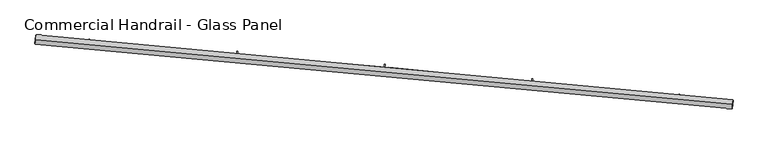
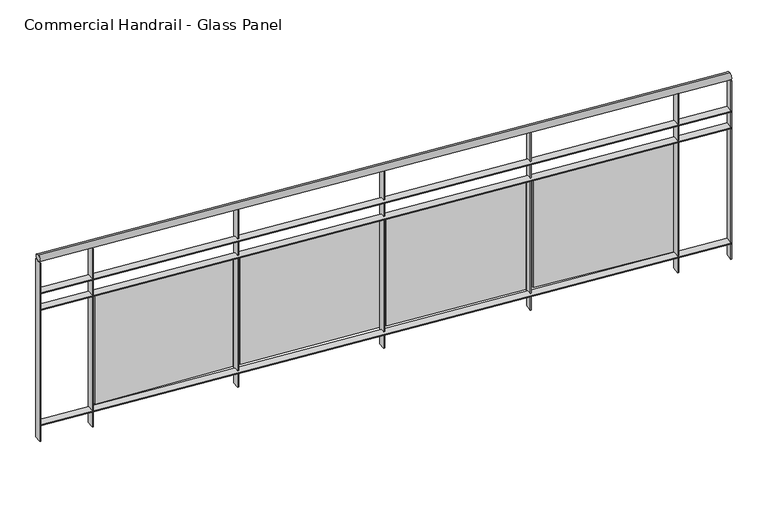
"""IFC4 building model written with IfcOpenShell, lengths in millimetres: railing geometry, Commercial Handrail - Glass Panel."""

from ifc_helpers import new_model, si_unit, point, frame, origin, place, context, project, spatial, polyline, circle_curve, ellipse_curve, trimmed, outline, extrude, source, transform, mapped, element, save
from ifc_brep_helpers import plane_surface, cylinder_surface, revolved_surface, advanced_brep


def commercial_handrail_glass_panel_fb1e3c1f(model_context):
    return source(origin(), model_context, "Body", "SolidModel", [
        advanced_brep(
        [(134392.4186606, -8697.9244773, 19682.5), (130631.4894824, -8347.8645549, 19682.5), (130631.4894824, -8347.8645549, 19717.5), (134392.4186606, -8697.9244773, 19717.5)],
        [
            (0, 1, circle_curve(frame((123990.1653691, -100078.2018552, 19682.5), z_axis=(0.0, 0.0, 1.0), x_axis=(0.07221150688072363, 0.9973893413677606, 0.0)), 91970.4407253)),
            (1, 2, ellipse_curve(frame((130631.4894824, -8347.8645549, 19700.0), z_axis=(0.9973893413677601, -0.07221150688073003, 0.0), x_axis=(-0.07221150688073003, -0.9973893413677601, 0.0)), 25.0, 17.5)),
            (2, 3, circle_curve(frame((123990.1653691, -100078.2018552, 19717.5), z_axis=(0.0, 0.0, -1.0), x_axis=(0.07221150688072363, 0.9973893413677606, 0.0)), 91970.4407253)),
            (3, 0, ellipse_curve(frame((134392.4186606, -8697.9244773, 19700.0), z_axis=(-0.9935831192856617, 0.11310431057468384, 0.0), x_axis=(-0.11310431057468384, -0.9935831192856617, 0.0)), 25.0, 17.5)),
            (2, 1, ellipse_curve(frame((130631.4894824, -8347.8645549, 19700.0), z_axis=(0.9973893413677601, -0.07221150688073003, 0.0), x_axis=(-0.07221150688073003, -0.9973893413677601, 0.0)), 25.0, 17.5)),
            (0, 3, ellipse_curve(frame((134392.4186606, -8697.9244773, 19700.0), z_axis=(-0.9935831192856617, 0.11310431057468384, 0.0), x_axis=(-0.11310431057468384, -0.9935831192856617, 0.0)), 25.0, 17.5)),
        ],
        [
            revolved_surface(trimmed(ellipse_curve(frame((130631.4894824, -8347.8645549, 19700.0), z_axis=(-0.9973893413677606, 0.07221150688072363, 0.0), x_axis=(0.0, 0.0, -1.0)), 17.5, 25.0), [point((130631.4894824, -8347.8645549, 19717.5))], [point((130631.4894824, -8347.8645549, 19682.5))], True, "CARTESIAN"), (123990.1653691, -100078.2018552, 19700.0), (0.0, 0.0, -1.0)),
            revolved_surface(trimmed(ellipse_curve(frame((130631.4894824, -8347.8645549, 19700.0), z_axis=(-0.9973893413677606, 0.07221150688072363, 0.0), x_axis=(0.0, 0.0, -1.0)), 17.5, 25.0), [point((130631.4894824, -8347.8645549, 19682.5))], [point((130631.4894824, -8347.8645549, 19717.5))], True, "CARTESIAN"), (123990.1653691, -100078.2018552, 19700.0), (0.0, 0.0, -1.0)),
            plane_surface(frame((130631.4894824, -8347.8645549, 19700.0), z_axis=(-0.9973893413677607, 0.07221150688072363, 0.0), x_axis=(0.07221150688072363, 0.9973893413677607, 0.0))),
            plane_surface(frame((134392.4186606, -8697.9244773, 19700.0), z_axis=(0.9935831192856617, -0.11310431057468376, 0.0), x_axis=(0.11310431057468376, 0.9935831192856617, 0.0))),
        ],
        [
            (0, [[1, 2, 3, 4]]),
            (1, [[-3, 5, -1, 6]]),
            (2, [[-2, -5]]),
            (3, [[-6, -4]]),
        ],
    ),
        advanced_brep(
        [(134394.9635076, -8675.5688571, 19500.0), (130633.1142413, -8325.4232948, 19500.0), (130629.8647235, -8370.3058151, 19500.0), (134389.8738136, -8720.2800975, 19500.0), (134394.9635076, -8675.5688571, 19494.0), (130633.1142413, -8325.4232948, 19494.0), (134389.8738136, -8720.2800975, 19494.0), (130629.8647235, -8370.3058151, 19494.0)],
        [
            (0, 1, circle_curve(frame((123990.1653691, -100078.2018552, 19500.0), z_axis=(0.0, 0.0, 1.0), x_axis=(0.07221150688072363, 0.9973893413677606, 0.0)), 91992.9407253)),
            (1, 2),
            (2, 3, circle_curve(frame((123990.1653691, -100078.2018552, 19500.0), z_axis=(0.0, 0.0, -1.0), x_axis=(0.07221150688072363, 0.9973893413677606, 0.0)), 91947.9407253)),
            (3, 0),
            (4, 5, circle_curve(frame((123990.1653691, -100078.2018552, 19494.0), z_axis=(0.0, 0.0, 1.0), x_axis=(0.07221150688072363, 0.9973893413677606, 0.0)), 91992.9407253)),
            (5, 1),
            (0, 4),
            (6, 7, circle_curve(frame((123990.1653691, -100078.2018552, 19494.0), z_axis=(0.0, 0.0, 1.0), x_axis=(0.07221150688072363, 0.9973893413677606, 0.0)), 91947.9407253)),
            (7, 5),
            (4, 6),
            (2, 7),
            (6, 3),
        ],
        [
            plane_surface(frame((123990.1653691, -100078.2018552, 19500.0), z_axis=(0.0, 0.0, 1.0), x_axis=(0.07221150688072363, 0.9973893413677606, 0.0))),
            cylinder_surface(frame((123990.1653691, -100078.2018552, 19500.0), z_axis=(0.0, 0.0, -1.0), x_axis=(0.07221150688072363, 0.9973893413677606, 0.0)), 91992.9407253),
            plane_surface(frame((123990.1653691, -100078.2018552, 19494.0), z_axis=(0.0, 0.0, -1.0), x_axis=(0.07221150688072363, 0.9973893413677606, 0.0))),
            revolved_surface(polyline([(130629.86472345337, -8370.305815071144, 19494.0), (130629.86472345337, -8370.305815071144, 19500.0)]), (123990.1653691, -100078.2018552, 19500.0), (0.0, 0.0, -1.0)),
            plane_surface(frame((130631.4894824, -8347.8645549, 19500.0), z_axis=(-0.9973893413677607, 0.07221150688072363, 0.0), x_axis=(0.07221150688072363, 0.9973893413677607, 0.0))),
            plane_surface(frame((134392.4186606, -8697.9244773, 19500.0), z_axis=(0.9935831192856617, -0.11310431057468376, 0.0), x_axis=(0.11310431057468376, 0.9935831192856617, 0.0))),
        ],
        [
            (0, [[1, 2, 3, 4]]),
            (1, [[5, 6, -1, 7]]),
            (2, [[8, 9, -5, 10]]),
            (3, [[-3, 11, -8, 12]]),
            (4, [[-2, -6, -9, -11]]),
            (5, [[-12, -10, -7, -4]]),
        ],
    ),
        advanced_brep(
        [(134394.9635076, -8675.5688571, 19400.0), (130633.1142413, -8325.4232948, 19400.0), (130629.8647235, -8370.3058151, 19400.0), (134389.8738136, -8720.2800975, 19400.0), (134394.9635076, -8675.5688571, 19394.0), (130633.1142413, -8325.4232948, 19394.0), (134389.8738136, -8720.2800975, 19394.0), (130629.8647235, -8370.3058151, 19394.0)],
        [
            (0, 1, circle_curve(frame((123990.1653691, -100078.2018552, 19400.0), z_axis=(0.0, 0.0, 1.0), x_axis=(0.07221150688072363, 0.9973893413677606, 0.0)), 91992.9407253)),
            (1, 2),
            (2, 3, circle_curve(frame((123990.1653691, -100078.2018552, 19400.0), z_axis=(0.0, 0.0, -1.0), x_axis=(0.07221150688072363, 0.9973893413677606, 0.0)), 91947.9407253)),
            (3, 0),
            (4, 5, circle_curve(frame((123990.1653691, -100078.2018552, 19394.0), z_axis=(0.0, 0.0, 1.0), x_axis=(0.07221150688072363, 0.9973893413677606, 0.0)), 91992.9407253)),
            (5, 1),
            (0, 4),
            (6, 7, circle_curve(frame((123990.1653691, -100078.2018552, 19394.0), z_axis=(0.0, 0.0, 1.0), x_axis=(0.07221150688072363, 0.9973893413677606, 0.0)), 91947.9407253)),
            (7, 5),
            (4, 6),
            (2, 7),
            (6, 3),
        ],
        [
            plane_surface(frame((123990.1653691, -100078.2018552, 19400.0), z_axis=(0.0, 0.0, 1.0), x_axis=(0.07221150688072363, 0.9973893413677606, 0.0))),
            cylinder_surface(frame((123990.1653691, -100078.2018552, 19400.0), z_axis=(0.0, 0.0, -1.0), x_axis=(0.07221150688072363, 0.9973893413677606, 0.0)), 91992.9407253),
            plane_surface(frame((123990.1653691, -100078.2018552, 19394.0), z_axis=(0.0, 0.0, -1.0), x_axis=(0.07221150688072363, 0.9973893413677606, 0.0))),
            revolved_surface(polyline([(130629.86472345337, -8370.305815071144, 19394.0), (130629.86472345337, -8370.305815071144, 19400.0)]), (123990.1653691, -100078.2018552, 19400.0), (0.0, 0.0, -1.0)),
            plane_surface(frame((130631.4894824, -8347.8645549, 19400.0), z_axis=(-0.9973893413677607, 0.07221150688072363, 0.0), x_axis=(0.07221150688072363, 0.9973893413677607, 0.0))),
            plane_surface(frame((134392.4186606, -8697.9244773, 19400.0), z_axis=(0.9935831192856617, -0.11310431057468376, 0.0), x_axis=(0.11310431057468376, 0.9935831192856617, 0.0))),
        ],
        [
            (0, [[1, 2, 3, 4]]),
            (1, [[5, 6, -1, 7]]),
            (2, [[8, 9, -5, 10]]),
            (3, [[-3, 11, -8, 12]]),
            (4, [[-2, -6, -9, -11]]),
            (5, [[-12, -10, -7, -4]]),
        ],
    ),
        advanced_brep(
        [(134394.9635076, -8675.5688571, 18700.0), (130633.1142413, -8325.4232948, 18700.0), (130629.8647235, -8370.3058151, 18700.0), (134389.8738136, -8720.2800975, 18700.0), (134394.9635076, -8675.5688571, 18694.0), (130633.1142413, -8325.4232948, 18694.0), (134389.8738136, -8720.2800975, 18694.0), (130629.8647235, -8370.3058151, 18694.0)],
        [
            (0, 1, circle_curve(frame((123990.1653691, -100078.2018552, 18700.0), z_axis=(0.0, 0.0, 1.0), x_axis=(0.07221150688072363, 0.9973893413677606, 0.0)), 91992.9407253)),
            (1, 2),
            (2, 3, circle_curve(frame((123990.1653691, -100078.2018552, 18700.0), z_axis=(0.0, 0.0, -1.0), x_axis=(0.07221150688072363, 0.9973893413677606, 0.0)), 91947.9407253)),
            (3, 0),
            (4, 5, circle_curve(frame((123990.1653691, -100078.2018552, 18694.0), z_axis=(0.0, 0.0, 1.0), x_axis=(0.07221150688072363, 0.9973893413677606, 0.0)), 91992.9407253)),
            (5, 1),
            (0, 4),
            (6, 7, circle_curve(frame((123990.1653691, -100078.2018552, 18694.0), z_axis=(0.0, 0.0, 1.0), x_axis=(0.07221150688072363, 0.9973893413677606, 0.0)), 91947.9407253)),
            (7, 5),
            (4, 6),
            (2, 7),
            (6, 3),
        ],
        [
            plane_surface(frame((123990.1653691, -100078.2018552, 18700.0), z_axis=(0.0, 0.0, 1.0), x_axis=(0.07221150688072363, 0.9973893413677606, 0.0))),
            cylinder_surface(frame((123990.1653691, -100078.2018552, 18700.0), z_axis=(0.0, 0.0, -1.0), x_axis=(0.07221150688072363, 0.9973893413677606, 0.0)), 91992.9407253),
            plane_surface(frame((123990.1653691, -100078.2018552, 18694.0), z_axis=(0.0, 0.0, -1.0), x_axis=(0.07221150688072363, 0.9973893413677606, 0.0))),
            revolved_surface(polyline([(130629.86472345337, -8370.305815071144, 18694.0), (130629.86472345337, -8370.305815071144, 18700.0)]), (123990.1653691, -100078.2018552, 18700.0), (0.0, 0.0, -1.0)),
            plane_surface(frame((130631.4894824, -8347.8645549, 18700.0), z_axis=(-0.9973893413677607, 0.07221150688072363, 0.0), x_axis=(0.07221150688072363, 0.9973893413677607, 0.0))),
            plane_surface(frame((134392.4186606, -8697.9244773, 18700.0), z_axis=(0.9935831192856617, -0.11310431057468376, 0.0), x_axis=(0.11310431057468376, 0.9935831192856617, 0.0))),
        ],
        [
            (0, [[1, 2, 3, 4]]),
            (1, [[5, 6, -1, 7]]),
            (2, [[8, 9, -5, 10]]),
            (3, [[-3, 11, -8, 12]]),
            (4, [[-2, -6, -9, -11]]),
            (5, [[-12, -10, -7, -4]]),
        ],
    ),
        extrude(outline(polyline([(134100.038637, -8687.7522714), (134104.9879428, -8643.0252732), (134110.9515425, -8643.6851806), (134106.0022367, -8688.4121789), (134100.038637, -8687.7522714)])), frame((0.0, 0.0, 18600.0), z_axis=(0.0, 0.0, 1.0), x_axis=(1.0, 0.0, 0.0)), (0.0, 0.0, 1.0), 1082.1192282),
        extrude(outline(polyline([(133330.5884692, -8576.4721186), (134086.3341715, -8656.7742575), (134085.066243, -8668.7070844), (133329.3205407, -8588.4049454), (133330.5884692, -8576.4721186)])), frame((0.0, 0.0, 18720.0), z_axis=(0.0, 0.0, 1.0), x_axis=(1.0, 0.0, 0.0)), (0.0, 0.0, 1.0), 660.0),
        extrude(outline(polyline([(133304.7112147, -8603.2705991), (133309.2712828, -8558.5022422), (133315.240397, -8559.1102513), (133310.680329, -8603.8786082), (133304.7112147, -8603.2705991)])), frame((0.0, 0.0, 18600.0), z_axis=(0.0, 0.0, 1.0), x_axis=(1.0, 0.0, 0.0)), (0.0, 0.0, 1.0), 1082.1192282),
        extrude(outline(polyline([(132534.3222039, -8498.6875932), (133290.7378105, -8572.4129632), (133289.5737257, -8584.3563675), (132533.1581191, -8510.6309975), (132534.3222039, -8498.6875932)])), frame((0.0, 0.0, 18720.0), z_axis=(0.0, 0.0, 1.0), x_axis=(1.0, 0.0, 0.0)), (0.0, 0.0, 1.0), 660.0),
        extrude(outline(polyline([(132508.6790306, -8525.710149), (132512.8495159, -8480.9038207), (132518.823693, -8481.4598854), (132514.6532077, -8526.2662137), (132508.6790306, -8525.710149)])), frame((0.0, 0.0, 18600.0), z_axis=(0.0, 0.0, 1.0), x_axis=(1.0, 0.0, 0.0)), (0.0, 0.0, 1.0), 1082.1192282),
        extrude(outline(polyline([(131737.4094664, -8427.832203), (132494.4377449, -8494.9752258), (132493.3775919, -8506.9283039), (131736.3493134, -8439.7852811), (131737.4094664, -8427.832203)])), frame((0.0, 0.0, 18720.0), z_axis=(0.0, 0.0, 1.0), x_axis=(1.0, 0.0, 0.0)), (0.0, 0.0, 1.0), 660.0),
        extrude(outline(polyline([(131712.0023145, -8455.0767895), (131715.7829014, -8410.23588), (131721.7616894, -8410.7399583), (131717.9811024, -8455.5808678), (131712.0023145, -8455.0767895)])), frame((0.0, 0.0, 18600.0), z_axis=(0.0, 0.0, 1.0), x_axis=(1.0, 0.0, 0.0)), (0.0, 0.0, 1.0), 1082.1192282),
        extrude(outline(polyline([(130939.9105529, -8363.9113091), (131697.4942248, -8424.4669046), (131696.5380838, -8436.428752), (130938.954412, -8375.8731566), (130939.9105529, -8363.9113091)])), frame((0.0, 0.0, 18720.0), z_axis=(0.0, 0.0, 1.0), x_axis=(1.0, 0.0, 0.0)), (0.0, 0.0, 1.0), 660.0),
        extrude(outline(polyline([(130914.7413448, -8391.3758649), (130918.1317474, -8346.503767), (130924.1146938, -8346.9558207), (130920.7242912, -8391.8279186), (130914.7413448, -8391.3758649)])), frame((0.0, 0.0, 18600.0), z_axis=(0.0, 0.0, 1.0), x_axis=(1.0, 0.0, 0.0)), (0.0, 0.0, 1.0), 1082.1192282),
        extrude(outline(polyline([(134386.8930643, -8719.9407846), (134391.9827582, -8675.2295442), (134397.9442569, -8675.9081701), (134392.854563, -8720.6194104), (134386.8930643, -8719.9407846)])), frame((0.0, 0.0, 18600.0), z_axis=(0.0, 0.0, 1.0), x_axis=(1.0, 0.0, 0.0)), (0.0, 0.0, 1.0), 1082.1192282),
        extrude(outline(polyline([(130626.8725554, -8370.0891806), (130630.1220733, -8325.2066602), (130636.1064093, -8325.6399293), (130632.8568915, -8370.5224496), (130626.8725554, -8370.0891806)])), frame((0.0, 0.0, 18600.0), z_axis=(0.0, 0.0, 1.0), x_axis=(1.0, 0.0, 0.0)), (0.0, 0.0, 1.0), 1082.1192282),
    ])


if __name__ == "__main__":
    model = new_model("IFC4")
    model_context = context("Model", 3, world=origin())
    ifc_project = project(units=[si_unit("LENGTHUNIT", "METRE", prefix="MILLI")], contexts=[model_context])
    site = spatial("IfcSite", under=ifc_project)
    building = spatial("IfcBuilding", under=site)
    placement = place(None, origin())
    commercial_handrail_glass_panel_shape = commercial_handrail_glass_panel_fb1e3c1f(model_context)
    element("IfcRailing", 1, ObjectType="Commercial Handrail - Glass Panel", at=placement, inside=building, context=model_context, shape_type="MappedRepresentation", body=[
        mapped(commercial_handrail_glass_panel_shape, transform((0.0, 0.0, 0.0), x_axis=(1.0, 0.0, 0.0), y_axis=(0.0, 1.0, 0.0), z_axis=(0.0, 0.0, 1.0))),
    ])
    save(model, "model.ifc")
